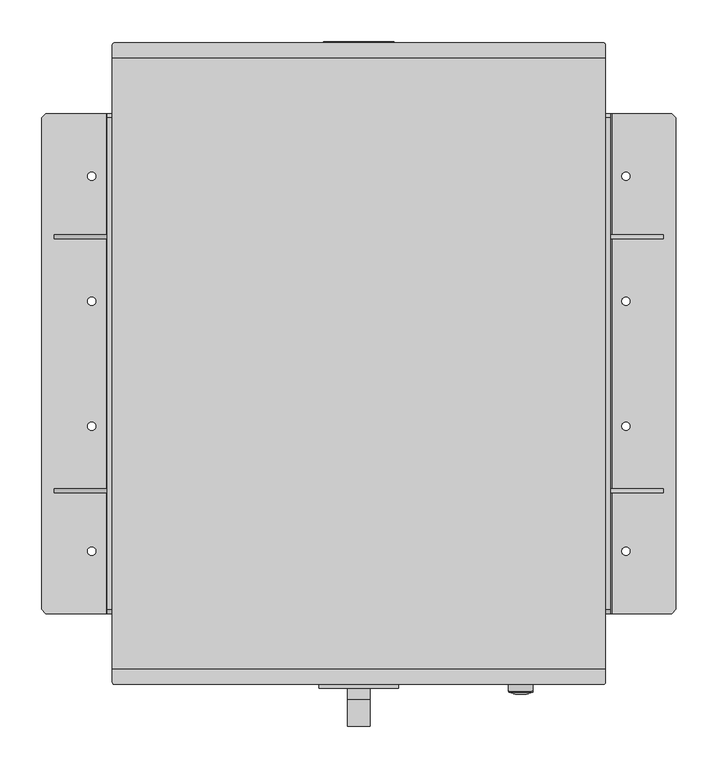
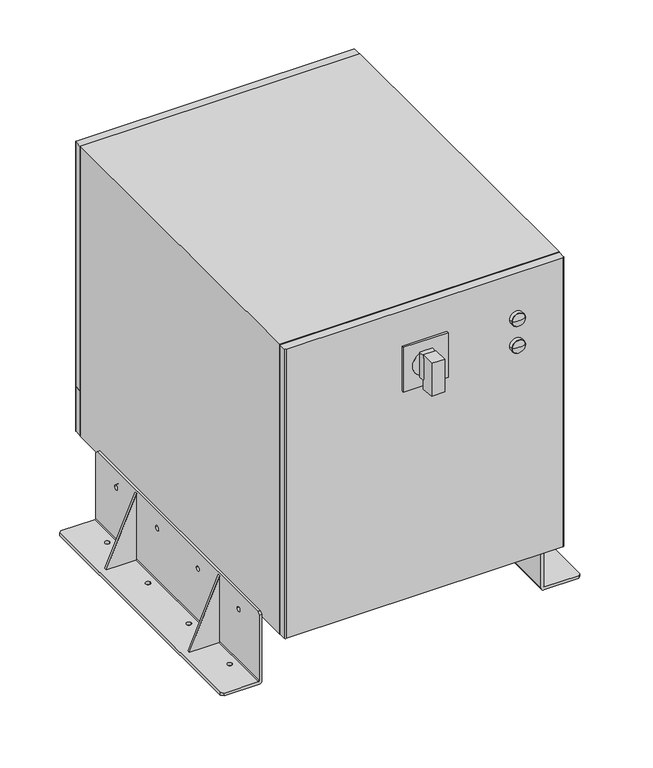
"""IFC4 building model written with IfcOpenShell, lengths in millimetres: proxy geometry."""

from ifc_helpers import new_model, si_unit, point, frame, frame_2d, origin, place, context, project, spatial, polyline, circle_curve, ellipse_curve, trimmed, segment, composite_curve, outline, extrude, source, transform, mapped, element, save
from ifc_brep_helpers import plane_surface, cylinder_surface, revolved_surface, advanced_brep


def specialty_equipment_dcbae7bf(model_context):
    return source(origin(), model_context, "Body", "SolidModel", [
        extrude(outline(composite_curve([segment(trimmed(circle_curve(frame_2d((7.6535475, -303.65681)), 1.6535475), [point((6.0, -303.65681))], [point((7.6535475, -302.0032625))], False, "CARTESIAN"), True, "CONTINUOUS"), segment(polyline([(7.6535475, -302.0032625), (155.0, -302.0032625), (6.0, -366.0032625), (6.0, -303.65681)]), True, "CONTINUOUS")], self_intersect=False)), frame((0.0, 150.0001375, 0.0), z_axis=(0.0, 1.0, 0.0), x_axis=(0.0, 0.0, 1.0)), (0.0, 0.0, 1.0), 5.0405148),
        extrude(outline(composite_curve([segment(polyline([(6.0, 303.65681), (6.0, 366.0032625), (155.0, 302.0032625), (7.6535475, 302.0032625)]), True, "CONTINUOUS"), segment(trimmed(circle_curve(frame_2d((7.6535475, 303.65681)), 1.6535475), [point((7.6535475, 302.0032625))], [point((6.0, 303.65681))], False, "CARTESIAN"), True, "CONTINUOUS")], self_intersect=False)), frame((0.0, 150.0001375, 0.0), z_axis=(0.0, 1.0, 0.0), x_axis=(0.0, 0.0, 1.0)), (0.0, 0.0, 1.0), 5.0405148),
        extrude(outline(composite_curve([segment(trimmed(circle_curve(frame_2d((7.6535475, -303.65681)), 1.6535475), [point((6.0, -303.65681))], [point((7.6535475, -302.0032625))], False, "CARTESIAN"), True, "CONTINUOUS"), segment(polyline([(7.6535475, -302.0032625), (155.0, -302.0032625), (6.0, -366.0032625), (6.0, -303.65681)]), True, "CONTINUOUS")], self_intersect=False)), frame((0.0, -155.0406523, 0.0), z_axis=(0.0, 1.0, 0.0), x_axis=(0.0, 0.0, 1.0)), (0.0, 0.0, 1.0), 5.0405148),
        extrude(outline(composite_curve([segment(polyline([(6.0, 303.65681), (6.0, 366.0032625), (155.0, 302.0032625), (7.6535475, 302.0032625)]), True, "CONTINUOUS"), segment(trimmed(circle_curve(frame_2d((7.6535475, 303.65681)), 1.6535475), [point((7.6535475, 302.0032625))], [point((6.0, 303.65681))], False, "CARTESIAN"), True, "CONTINUOUS")], self_intersect=False)), frame((0.0, -155.0406523, 0.0), z_axis=(0.0, 1.0, 0.0), x_axis=(0.0, 0.0, 1.0)), (0.0, 0.0, 1.0), 5.0405148),
        advanced_brep(
        [(-296.0032625, 299.999725, 6.0), (-302.0032625, 299.999725, 0.0), (-376.0032625, 299.999725, 0.0), (-376.0032625, 299.999725, 6.0), (-303.65681, 299.999725, 6.0), (-302.0032625, 299.999725, 7.6535475), (-302.0032625, 299.999725, 155.00055), (-296.0032625, 299.999725, 155.00055), (-302.0032625, -300.000275, 7.6535475), (-303.65681, -300.000275, 6.0), (-376.0027125, -300.000275, 6.0), (-376.0027125, -300.000275, 0.0), (-302.0032625, -300.000275, 0.0), (-296.0032625, -300.000275, 6.0), (-296.0032625, -300.000275, 155.0), (-302.0032625, -300.000275, 155.0), (-296.0032625, 295.000275, 160.0), (-296.0032625, -295.000275, 160.0), (-296.0032625, -220.0002063, 122.7832708), (-296.0032625, -230.0002063, 122.7832708), (-296.0032625, -70.0000688, 122.7832708), (-296.0032625, -80.0000688, 122.7832708), (-296.0032625, 79.9997937, 122.7832708), (-296.0032625, 69.9997937, 122.7832708), (-296.0032625, 229.9999312, 122.7832708), (-296.0032625, 219.9999312, 122.7832708), (-381.0032625, -294.999725, 0.0), (-381.0032625, 294.999725, 0.0), (-325.8300363, -75.0000688, 0.0), (-315.8300363, -75.0000688, 0.0), (-325.8300363, -225.0002063, 0.0), (-315.8300363, -225.0002063, 0.0), (-325.8300363, 224.9999312, 0.0), (-315.8300363, 224.9999312, 0.0), (-325.8300363, 74.9997937, 0.0), (-315.8300363, 74.9997937, 0.0), (-381.0032625, -294.999725, 6.0), (-381.0032625, 294.999725, 6.0), (-315.8300363, -75.0000688, 6.0), (-325.8300363, -75.0000688, 6.0), (-315.8300363, -225.0002063, 6.0), (-325.8300363, -225.0002063, 6.0), (-315.8300363, 224.9999312, 6.0), (-325.8300363, 224.9999312, 6.0), (-315.8300363, 74.9997937, 6.0), (-325.8300363, 74.9997937, 6.0), (-302.0032625, -295.000275, 160.0), (-302.0032625, 295.000275, 160.0), (-302.0032625, -230.0002063, 122.7832708), (-302.0032625, -220.0002063, 122.7832708), (-302.0032625, -80.0000688, 122.7832708), (-302.0032625, -70.0000688, 122.7832708), (-302.0032625, 69.9997937, 122.7832708), (-302.0032625, 79.9997937, 122.7832708), (-302.0032625, 219.9999312, 122.7832708), (-302.0032625, 229.9999312, 122.7832708)],
        [
            (0, 1, circle_curve(frame((-302.0032625, 299.999725, 6.0), z_axis=(0.0, 1.0, 0.0), x_axis=(1.0, 0.0, 0.0)), 6.0)),
            (1, 2),
            (2, 3),
            (3, 4),
            (4, 5, circle_curve(frame((-303.65681, 299.999725, 7.6535475), z_axis=(0.0, -1.0, 0.0), x_axis=(1.0, 0.0, 0.0)), 1.6535475)),
            (5, 6),
            (6, 7),
            (7, 0),
            (8, 9, circle_curve(frame((-303.65681, -300.000275, 7.6535475), z_axis=(0.0, 1.0, 0.0), x_axis=(1.0, 0.0, 0.0)), 1.6535475)),
            (9, 10),
            (10, 11),
            (11, 12),
            (12, 13, circle_curve(frame((-302.0032625, -300.000275, 6.0), z_axis=(0.0, -1.0, 0.0), x_axis=(1.0, 0.0, 0.0)), 6.0)),
            (13, 14),
            (14, 15),
            (15, 8),
            (13, 0),
            (7, 16),
            (16, 17),
            (17, 14),
            (18, 19, circle_curve(frame((-296.0032625, -225.0002063, 122.7832708), z_axis=(-1.0, 0.0, 0.0), x_axis=(0.0, 1.0, 0.0)), 5.0)),
            (19, 18, circle_curve(frame((-296.0032625, -225.0002063, 122.7832708), z_axis=(-1.0, 0.0, 0.0), x_axis=(0.0, 1.0, 0.0)), 5.0)),
            (20, 21, circle_curve(frame((-296.0032625, -75.0000688, 122.7832708), z_axis=(-1.0, 0.0, 0.0), x_axis=(0.0, 1.0, 0.0)), 5.0)),
            (21, 20, circle_curve(frame((-296.0032625, -75.0000688, 122.7832708), z_axis=(-1.0, 0.0, 0.0), x_axis=(0.0, 1.0, 0.0)), 5.0)),
            (22, 23, circle_curve(frame((-296.0032625, 74.9997937, 122.7832708), z_axis=(-1.0, 0.0, 0.0), x_axis=(0.0, 1.0, 0.0)), 5.0)),
            (23, 22, circle_curve(frame((-296.0032625, 74.9997937, 122.7832708), z_axis=(-1.0, 0.0, 0.0), x_axis=(0.0, 1.0, 0.0)), 5.0)),
            (24, 25, circle_curve(frame((-296.0032625, 224.9999312, 122.7832708), z_axis=(-1.0, 0.0, 0.0), x_axis=(0.0, 1.0, 0.0)), 5.0)),
            (25, 24, circle_curve(frame((-296.0032625, 224.9999312, 122.7832708), z_axis=(-1.0, 0.0, 0.0), x_axis=(0.0, 1.0, 0.0)), 5.0)),
            (12, 1),
            (11, 26),
            (26, 27),
            (27, 2),
            (28, 29, circle_curve(frame((-320.8300363, -75.0000688, 0.0), z_axis=(0.0, 0.0, 1.0), x_axis=(1.0, 0.0, 0.0)), 5.0)),
            (29, 28, circle_curve(frame((-320.8300363, -75.0000688, 0.0), z_axis=(0.0, 0.0, 1.0), x_axis=(1.0, 0.0, 0.0)), 5.0)),
            (30, 31, circle_curve(frame((-320.8300363, -225.0002063, 0.0), z_axis=(0.0, 0.0, 1.0), x_axis=(1.0, 0.0, 0.0)), 5.0)),
            (31, 30, circle_curve(frame((-320.8300363, -225.0002063, 0.0), z_axis=(0.0, 0.0, 1.0), x_axis=(1.0, 0.0, 0.0)), 5.0)),
            (32, 33, circle_curve(frame((-320.8300363, 224.9999312, 0.0), z_axis=(0.0, 0.0, 1.0), x_axis=(1.0, 0.0, 0.0)), 5.0)),
            (33, 32, circle_curve(frame((-320.8300363, 224.9999312, 0.0), z_axis=(0.0, 0.0, 1.0), x_axis=(1.0, 0.0, 0.0)), 5.0)),
            (34, 35, circle_curve(frame((-320.8300363, 74.9997937, 0.0), z_axis=(0.0, 0.0, 1.0), x_axis=(1.0, 0.0, 0.0)), 5.0)),
            (35, 34, circle_curve(frame((-320.8300363, 74.9997937, 0.0), z_axis=(0.0, 0.0, 1.0), x_axis=(1.0, 0.0, 0.0)), 5.0)),
            (26, 36),
            (36, 37),
            (37, 27),
            (9, 4),
            (3, 37),
            (36, 10),
            (38, 39, circle_curve(frame((-320.8300363, -75.0000688, 6.0), z_axis=(0.0, 0.0, -1.0), x_axis=(1.0, 0.0, 0.0)), 5.0)),
            (39, 38, circle_curve(frame((-320.8300363, -75.0000688, 6.0), z_axis=(0.0, 0.0, -1.0), x_axis=(1.0, 0.0, 0.0)), 5.0)),
            (40, 41, circle_curve(frame((-320.8300363, -225.0002063, 6.0), z_axis=(0.0, 0.0, -1.0), x_axis=(1.0, 0.0, 0.0)), 5.0)),
            (41, 40, circle_curve(frame((-320.8300363, -225.0002063, 6.0), z_axis=(0.0, 0.0, -1.0), x_axis=(1.0, 0.0, 0.0)), 5.0)),
            (42, 43, circle_curve(frame((-320.8300363, 224.9999312, 6.0), z_axis=(0.0, 0.0, -1.0), x_axis=(1.0, 0.0, 0.0)), 5.0)),
            (43, 42, circle_curve(frame((-320.8300363, 224.9999312, 6.0), z_axis=(0.0, 0.0, -1.0), x_axis=(1.0, 0.0, 0.0)), 5.0)),
            (44, 45, circle_curve(frame((-320.8300363, 74.9997937, 6.0), z_axis=(0.0, 0.0, -1.0), x_axis=(1.0, 0.0, 0.0)), 5.0)),
            (45, 44, circle_curve(frame((-320.8300363, 74.9997937, 6.0), z_axis=(0.0, 0.0, -1.0), x_axis=(1.0, 0.0, 0.0)), 5.0)),
            (8, 5),
            (15, 46),
            (46, 47),
            (47, 6),
            (48, 49, circle_curve(frame((-302.0032625, -225.0002063, 122.7832708), z_axis=(1.0, 0.0, 0.0), x_axis=(0.0, 1.0, 0.0)), 5.0)),
            (49, 48, circle_curve(frame((-302.0032625, -225.0002063, 122.7832708), z_axis=(1.0, 0.0, 0.0), x_axis=(0.0, 1.0, 0.0)), 5.0)),
            (50, 51, circle_curve(frame((-302.0032625, -75.0000688, 122.7832708), z_axis=(1.0, 0.0, 0.0), x_axis=(0.0, 1.0, 0.0)), 5.0)),
            (51, 50, circle_curve(frame((-302.0032625, -75.0000688, 122.7832708), z_axis=(1.0, 0.0, 0.0), x_axis=(0.0, 1.0, 0.0)), 5.0)),
            (52, 53, circle_curve(frame((-302.0032625, 74.9997937, 122.7832708), z_axis=(1.0, 0.0, 0.0), x_axis=(0.0, 1.0, 0.0)), 5.0)),
            (53, 52, circle_curve(frame((-302.0032625, 74.9997937, 122.7832708), z_axis=(1.0, 0.0, 0.0), x_axis=(0.0, 1.0, 0.0)), 5.0)),
            (54, 55, circle_curve(frame((-302.0032625, 224.9999312, 122.7832708), z_axis=(1.0, 0.0, 0.0), x_axis=(0.0, 1.0, 0.0)), 5.0)),
            (55, 54, circle_curve(frame((-302.0032625, 224.9999312, 122.7832708), z_axis=(1.0, 0.0, 0.0), x_axis=(0.0, 1.0, 0.0)), 5.0)),
            (16, 47),
            (46, 17),
            (28, 39),
            (38, 29),
            (30, 41),
            (40, 31),
            (32, 43),
            (42, 33),
            (34, 45),
            (44, 35),
            (48, 19),
            (18, 49),
            (50, 21),
            (20, 51),
            (52, 23),
            (22, 53),
            (54, 25),
            (24, 55),
        ],
        [
            plane_surface(frame((-296.0032625, 299.999725, 0.0), z_axis=(0.0, 1.0, 0.0), x_axis=(0.0, 0.0, -1.0))),
            plane_surface(frame((-296.0032625, -300.000275, 0.0), z_axis=(0.0, -1.0, 0.0), x_axis=(0.0, 0.0, 1.0))),
            plane_surface(frame((-296.0032625, 299.999725, 160.0), z_axis=(1.0, 0.0, 0.0), x_axis=(0.0, -1.0, 0.0))),
            cylinder_surface(frame((-302.0032625, -300.000275, 6.0), z_axis=(0.0, 1.0, 0.0), x_axis=(1.0, 0.0, 0.0)), 6.0),
            plane_surface(frame((-302.0032625, 299.999725, 0.0), z_axis=(0.0, 0.0, -1.0), x_axis=(0.0, -1.0, 0.0))),
            plane_surface(frame((-381.0032625, 299.999725, 0.0), z_axis=(-1.0, 0.0, 0.0), x_axis=(0.0, -1.0, 0.0))),
            plane_surface(frame((-381.0032625, 299.999725, 6.0), z_axis=(0.0, 0.0, 1.0), x_axis=(0.0, -1.0, 0.0))),
            revolved_surface(polyline([(-302.0032625, -300.000275, 7.6535475), (-302.0032625, 299.999725, 7.6535475)]), (-303.65681, -300.000275, 7.6535475), (0.0, -1.0, 0.0)),
            plane_surface(frame((-302.0032625, 299.999725, 7.6535475), z_axis=(-1.0, 0.0, 0.0), x_axis=(0.0, -1.0, 0.0))),
            plane_surface(frame((-302.0032625, 299.999725, 160.0), z_axis=(0.0, 0.0, 1.0), x_axis=(0.0, -1.0, 0.0))),
            plane_surface(frame((-381.0032625, 294.999725, 10.0), z_axis=(-0.7071067811865476, 0.7071067811865476, 0.0), x_axis=(0.0, 0.0, -1.0))),
            plane_surface(frame((-376.0032625, -299.999725, 10.0), z_axis=(-0.7071067811865476, -0.7071067811865476, 0.0), x_axis=(0.0, 0.0, -1.0))),
            revolved_surface(polyline([(-315.8300363, -75.0000688, 6.0), (-315.8300363, -75.0000688, 0.0)]), (-320.8300363, -75.0000688, 0.0), (0.0, 0.0, 1.0)),
            revolved_surface(polyline([(-315.8300363, -225.0002063, 6.0), (-315.8300363, -225.0002063, 0.0)]), (-320.8300363, -225.0002063, 0.0), (0.0, 0.0, 1.0)),
            revolved_surface(polyline([(-315.8300363, 224.9999312, 6.0), (-315.8300363, 224.9999312, 0.0)]), (-320.8300363, 224.9999312, 0.0), (0.0, 0.0, 1.0)),
            revolved_surface(polyline([(-315.8300363, 74.9997937, 6.0), (-315.8300363, 74.9997937, 0.0)]), (-320.8300363, 74.9997937, 0.0), (0.0, 0.0, 1.0)),
            revolved_surface(polyline([(-296.0032625, -220.0002063, 122.7832708), (-302.0032625, -220.0002063, 122.7832708)]), (-302.0032625, -225.0002063, 122.7832708), (1.0, 0.0, 0.0)),
            revolved_surface(polyline([(-296.0032625, -70.0000688, 122.7832708), (-302.0032625, -70.0000688, 122.7832708)]), (0.0, -75.0000688, 122.7832708), (1.0, 0.0, 0.0)),
            revolved_surface(polyline([(-296.0032625, 79.9997937, 122.7832708), (-302.0032625, 79.9997937, 122.7832708)]), (0.0, 74.9997937, 122.7832708), (1.0, 0.0, 0.0)),
            revolved_surface(polyline([(-296.0032625, 229.9999312, 122.7832708), (-302.0032625, 229.9999312, 122.7832708)]), (0.0, 224.9999312, 122.7832708), (1.0, 0.0, 0.0)),
            plane_surface(frame((302.0032625, -300.000275, 155.0), z_axis=(0.0, -0.7071067811865476, 0.7071067811865476), x_axis=(-1.0, 0.0, 0.0))),
            plane_surface(frame((302.0032625, 295.000275, 160.0), z_axis=(0.0, 0.7071067811865476, 0.7071067811865476), x_axis=(-1.0, 0.0, 0.0))),
        ],
        [
            (0, [[1, 2, 3, 4, 5, 6, 7, 8]]),
            (1, [[9, 10, 11, 12, 13, 14, 15, 16]]),
            (2, [[17, -8, 18, 19, 20, -14], [21, 22], [23, 24], [25, 26], [27, 28]]),
            (3, [[-1, -17, -13, 29]]),
            (4, [[-29, -12, 30, 31, 32, -2], [33, 34], [35, 36], [37, 38], [39, 40]]),
            (5, [[-31, 41, 42, 43]]),
            (6, [[44, -4, 45, -42, 46, -10], [47, 48], [49, 50], [51, 52], [53, 54]]),
            (7, [[-5, -44, -9, 55]]),
            (8, [[-55, -16, 56, 57, 58, -6], [59, 60], [61, 62], [63, 64], [65, 66]]),
            (9, [[-19, 67, -57, 68]]),
            (10, [[-3, -32, -43, -45]]),
            (11, [[-11, -46, -41, -30]]),
            (12, [[69, -47, 70, -33]]),
            (12, [[-69, -34, -70, -48]]),
            (13, [[71, -49, 72, -35]]),
            (13, [[-71, -36, -72, -50]]),
            (14, [[73, -51, 74, -37]]),
            (14, [[-73, -38, -74, -52]]),
            (15, [[75, -53, 76, -39]]),
            (15, [[-75, -40, -76, -54]]),
            (16, [[77, -21, 78, -59]]),
            (16, [[-77, -60, -78, -22]]),
            (17, [[79, -23, 80, -61]]),
            (17, [[-79, -62, -80, -24]]),
            (18, [[81, -25, 82, -63]]),
            (18, [[-81, -64, -82, -26]]),
            (19, [[83, -27, 84, -65]]),
            (19, [[-83, -66, -84, -28]]),
            (20, [[-15, -20, -68, -56]]),
            (21, [[-7, -58, -67, -18]]),
        ],
    ),
        advanced_brep(
        [(302.0032625, 299.999725, 7.6535475), (303.65681, 299.999725, 6.0), (376.0032625, 299.999725, 6.0), (376.0032625, 299.999725, 0.0), (302.0032625, 299.999725, 0.0), (296.0032625, 299.999725, 6.0), (296.0032625, 299.999725, 155.00055), (302.0032625, 299.999725, 155.00055), (296.0032625, -300.000275, 6.0), (302.0032625, -300.000275, 0.0), (376.0027125, -300.000275, 0.0), (376.0027125, -300.000275, 6.0), (303.65681, -300.000275, 6.0), (302.0032625, -300.000275, 7.6535475), (302.0032625, -300.000275, 155.0), (296.0032625, -300.000275, 155.0), (296.0032625, 295.000275, 160.0), (296.0032625, -295.000275, 160.0), (302.0032625, -295.000275, 160.0), (302.0032625, 295.000275, 160.0), (302.0032625, -220.0002063, 122.7832708), (302.0032625, -230.0002063, 122.7832708), (302.0032625, -70.0000688, 122.7832708), (302.0032625, -80.0000688, 122.7832708), (302.0032625, 79.9997937, 122.7832708), (302.0032625, 69.9997937, 122.7832708), (302.0032625, 229.9999312, 122.7832708), (302.0032625, 219.9999312, 122.7832708), (381.0032625, -294.999725, 6.0), (381.0032625, 294.999725, 6.0), (315.8300363, -75.0000688, 6.0), (325.8300363, -75.0000688, 6.0), (315.8300363, -225.0002063, 6.0), (325.8300363, -225.0002063, 6.0), (315.8300363, 224.9999312, 6.0), (325.8300363, 224.9999312, 6.0), (315.8300363, 74.9997937, 6.0), (325.8300363, 74.9997937, 6.0), (381.0032625, -294.999725, 0.0), (381.0032625, 294.999725, 0.0), (325.8300363, -75.0000688, 0.0), (315.8300363, -75.0000688, 0.0), (325.8300363, -225.0002063, 0.0), (315.8300363, -225.0002063, 0.0), (325.8300363, 224.9999312, 0.0), (315.8300363, 224.9999312, 0.0), (325.8300363, 74.9997937, 0.0), (315.8300363, 74.9997937, 0.0), (296.0032625, -230.0002063, 122.7832708), (296.0032625, -220.0002063, 122.7832708), (296.0032625, -80.0000688, 122.7832708), (296.0032625, -70.0000688, 122.7832708), (296.0032625, 69.9997937, 122.7832708), (296.0032625, 79.9997937, 122.7832708), (296.0032625, 219.9999312, 122.7832708), (296.0032625, 229.9999312, 122.7832708)],
        [
            (0, 1, circle_curve(frame((303.65681, 299.999725, 7.6535475), z_axis=(0.0, -1.0, 0.0), x_axis=(-1.0, 0.0, 0.0)), 1.6535475)),
            (1, 2),
            (2, 3),
            (3, 4),
            (4, 5, circle_curve(frame((302.0032625, 299.999725, 6.0), z_axis=(0.0, 1.0, 0.0), x_axis=(-1.0, 0.0, 0.0)), 6.0)),
            (5, 6),
            (6, 7),
            (7, 0),
            (8, 9, circle_curve(frame((302.0032625, -300.000275, 6.0), z_axis=(0.0, -1.0, 0.0), x_axis=(-1.0, 0.0, 0.0)), 6.0)),
            (9, 10),
            (10, 11),
            (11, 12),
            (12, 13, circle_curve(frame((303.65681, -300.000275, 7.6535475), z_axis=(0.0, 1.0, 0.0), x_axis=(-1.0, 0.0, 0.0)), 1.6535475)),
            (13, 14),
            (14, 15),
            (15, 8),
            (16, 17),
            (17, 18),
            (18, 19),
            (19, 16),
            (13, 0),
            (7, 19),
            (18, 14),
            (20, 21, circle_curve(frame((302.0032625, -225.0002063, 122.7832708), z_axis=(-1.0, 0.0, 0.0), x_axis=(0.0, 1.0, 0.0)), 5.0)),
            (21, 20, circle_curve(frame((302.0032625, -225.0002063, 122.7832708), z_axis=(-1.0, 0.0, 0.0), x_axis=(0.0, 1.0, 0.0)), 5.0)),
            (22, 23, circle_curve(frame((302.0032625, -75.0000688, 122.7832708), z_axis=(-1.0, 0.0, 0.0), x_axis=(0.0, 1.0, 0.0)), 5.0)),
            (23, 22, circle_curve(frame((302.0032625, -75.0000688, 122.7832708), z_axis=(-1.0, 0.0, 0.0), x_axis=(0.0, 1.0, 0.0)), 5.0)),
            (24, 25, circle_curve(frame((302.0032625, 74.9997937, 122.7832708), z_axis=(-1.0, 0.0, 0.0), x_axis=(0.0, 1.0, 0.0)), 5.0)),
            (25, 24, circle_curve(frame((302.0032625, 74.9997937, 122.7832708), z_axis=(-1.0, 0.0, 0.0), x_axis=(0.0, 1.0, 0.0)), 5.0)),
            (26, 27, circle_curve(frame((302.0032625, 224.9999312, 122.7832708), z_axis=(-1.0, 0.0, 0.0), x_axis=(0.0, 1.0, 0.0)), 5.0)),
            (27, 26, circle_curve(frame((302.0032625, 224.9999312, 122.7832708), z_axis=(-1.0, 0.0, 0.0), x_axis=(0.0, 1.0, 0.0)), 5.0)),
            (12, 1),
            (11, 28),
            (28, 29),
            (29, 2),
            (30, 31, circle_curve(frame((320.8300363, -75.0000688, 6.0), z_axis=(0.0, 0.0, -1.0), x_axis=(-1.0, 0.0, 0.0)), 5.0)),
            (31, 30, circle_curve(frame((320.8300363, -75.0000688, 6.0), z_axis=(0.0, 0.0, -1.0), x_axis=(-1.0, 0.0, 0.0)), 5.0)),
            (32, 33, circle_curve(frame((320.8300363, -225.0002063, 6.0), z_axis=(0.0, 0.0, -1.0), x_axis=(-1.0, 0.0, 0.0)), 5.0)),
            (33, 32, circle_curve(frame((320.8300363, -225.0002063, 6.0), z_axis=(0.0, 0.0, -1.0), x_axis=(-1.0, 0.0, 0.0)), 5.0)),
            (34, 35, circle_curve(frame((320.8300363, 224.9999312, 6.0), z_axis=(0.0, 0.0, -1.0), x_axis=(-1.0, 0.0, 0.0)), 5.0)),
            (35, 34, circle_curve(frame((320.8300363, 224.9999312, 6.0), z_axis=(0.0, 0.0, -1.0), x_axis=(-1.0, 0.0, 0.0)), 5.0)),
            (36, 37, circle_curve(frame((320.8300363, 74.9997937, 6.0), z_axis=(0.0, 0.0, -1.0), x_axis=(-1.0, 0.0, 0.0)), 5.0)),
            (37, 36, circle_curve(frame((320.8300363, 74.9997937, 6.0), z_axis=(0.0, 0.0, -1.0), x_axis=(-1.0, 0.0, 0.0)), 5.0)),
            (28, 38),
            (38, 39),
            (39, 29),
            (9, 4),
            (3, 39),
            (38, 10),
            (40, 41, circle_curve(frame((320.8300363, -75.0000688, 0.0), z_axis=(0.0, 0.0, 1.0), x_axis=(-1.0, 0.0, 0.0)), 5.0)),
            (41, 40, circle_curve(frame((320.8300363, -75.0000688, 0.0), z_axis=(0.0, 0.0, 1.0), x_axis=(-1.0, 0.0, 0.0)), 5.0)),
            (42, 43, circle_curve(frame((320.8300363, -225.0002063, 0.0), z_axis=(0.0, 0.0, 1.0), x_axis=(-1.0, 0.0, 0.0)), 5.0)),
            (43, 42, circle_curve(frame((320.8300363, -225.0002063, 0.0), z_axis=(0.0, 0.0, 1.0), x_axis=(-1.0, 0.0, 0.0)), 5.0)),
            (44, 45, circle_curve(frame((320.8300363, 224.9999312, 0.0), z_axis=(0.0, 0.0, 1.0), x_axis=(-1.0, 0.0, 0.0)), 5.0)),
            (45, 44, circle_curve(frame((320.8300363, 224.9999312, 0.0), z_axis=(0.0, 0.0, 1.0), x_axis=(-1.0, 0.0, 0.0)), 5.0)),
            (46, 47, circle_curve(frame((320.8300363, 74.9997937, 0.0), z_axis=(0.0, 0.0, 1.0), x_axis=(-1.0, 0.0, 0.0)), 5.0)),
            (47, 46, circle_curve(frame((320.8300363, 74.9997937, 0.0), z_axis=(0.0, 0.0, 1.0), x_axis=(-1.0, 0.0, 0.0)), 5.0)),
            (8, 5),
            (15, 17),
            (16, 6),
            (48, 49, circle_curve(frame((296.0032625, -225.0002063, 122.7832708), z_axis=(1.0, 0.0, 0.0), x_axis=(0.0, 1.0, 0.0)), 5.0)),
            (49, 48, circle_curve(frame((296.0032625, -225.0002063, 122.7832708), z_axis=(1.0, 0.0, 0.0), x_axis=(0.0, 1.0, 0.0)), 5.0)),
            (50, 51, circle_curve(frame((296.0032625, -75.0000688, 122.7832708), z_axis=(1.0, 0.0, 0.0), x_axis=(0.0, 1.0, 0.0)), 5.0)),
            (51, 50, circle_curve(frame((296.0032625, -75.0000688, 122.7832708), z_axis=(1.0, 0.0, 0.0), x_axis=(0.0, 1.0, 0.0)), 5.0)),
            (52, 53, circle_curve(frame((296.0032625, 74.9997937, 122.7832708), z_axis=(1.0, 0.0, 0.0), x_axis=(0.0, 1.0, 0.0)), 5.0)),
            (53, 52, circle_curve(frame((296.0032625, 74.9997937, 122.7832708), z_axis=(1.0, 0.0, 0.0), x_axis=(0.0, 1.0, 0.0)), 5.0)),
            (54, 55, circle_curve(frame((296.0032625, 224.9999312, 122.7832708), z_axis=(1.0, 0.0, 0.0), x_axis=(0.0, 1.0, 0.0)), 5.0)),
            (55, 54, circle_curve(frame((296.0032625, 224.9999312, 122.7832708), z_axis=(1.0, 0.0, 0.0), x_axis=(0.0, 1.0, 0.0)), 5.0)),
            (40, 31),
            (30, 41),
            (42, 33),
            (32, 43),
            (44, 35),
            (34, 45),
            (46, 37),
            (36, 47),
            (48, 21),
            (20, 49),
            (50, 23),
            (22, 51),
            (52, 25),
            (24, 53),
            (54, 27),
            (26, 55),
        ],
        [
            plane_surface(frame((-296.0032625, 299.999725, 0.0), z_axis=(0.0, 1.0, 0.0), x_axis=(0.0, 0.0, -1.0))),
            plane_surface(frame((-296.0032625, -300.000275, 0.0), z_axis=(0.0, -1.0, 0.0), x_axis=(0.0, 0.0, 1.0))),
            plane_surface(frame((296.0032625, 299.999725, 160.0), z_axis=(0.0, 0.0, 1.0), x_axis=(0.0, -1.0, 0.0))),
            plane_surface(frame((302.0032625, 299.999725, 160.0), z_axis=(1.0, 0.0, 0.0), x_axis=(0.0, -1.0, 0.0))),
            revolved_surface(polyline([(302.0032625, -300.000275, 7.6535475), (302.0032625, 299.999725, 7.6535475)]), (303.65681, -385.000275, 7.6535475), (0.0, -1.0, 0.0)),
            plane_surface(frame((303.65681, 299.999725, 6.0), z_axis=(0.0, 0.0, 1.0), x_axis=(0.0, -1.0, 0.0))),
            plane_surface(frame((381.0032625, 299.999725, 6.0), z_axis=(1.0, 0.0, 0.0), x_axis=(0.0, -1.0, 0.0))),
            plane_surface(frame((381.0032625, 299.999725, 0.0), z_axis=(0.0, 0.0, -1.0), x_axis=(0.0, -1.0, 0.0))),
            cylinder_surface(frame((302.0032625, -385.000275, 6.0), z_axis=(0.0, 1.0, 0.0), x_axis=(-1.0, 0.0, 0.0)), 6.0),
            plane_surface(frame((296.0032625, 299.999725, 6.0), z_axis=(-1.0, 0.0, 0.0), x_axis=(0.0, -1.0, 0.0))),
            plane_surface(frame((376.0032625, 299.999725, 10.0), z_axis=(0.7071067811865476, 0.7071067811865476, 0.0), x_axis=(0.0, 0.0, -1.0))),
            plane_surface(frame((381.0032625, -294.999725, 10.0), z_axis=(0.7071067811865476, -0.7071067811865476, 0.0), x_axis=(0.0, 0.0, -1.0))),
            revolved_surface(polyline([(315.8300363, -75.0000688, 6.0), (315.8300363, -75.0000688, 0.0)]), (320.8300363, -75.0000688, 0.0), (0.0, 0.0, 1.0)),
            revolved_surface(polyline([(315.8300363, -225.0002063, 6.0), (315.8300363, -225.0002063, 0.0)]), (320.8300363, -225.0002063, 0.0), (0.0, 0.0, 1.0)),
            revolved_surface(polyline([(315.8300363, 224.9999312, 6.0), (315.8300363, 224.9999312, 0.0)]), (320.8300363, 224.9999312, 0.0), (0.0, 0.0, 1.0)),
            revolved_surface(polyline([(315.8300363, 74.9997937, 6.0), (315.8300363, 74.9997937, 0.0)]), (320.8300363, 74.9997937, 0.0), (0.0, 0.0, 1.0)),
            revolved_surface(polyline([(302.0032625, -220.0002063, 122.7832708), (296.0032625, -220.0002063, 122.7832708)]), (-302.0032625, -225.0002063, 122.7832708), (1.0, 0.0, 0.0)),
            revolved_surface(polyline([(302.0032625, -70.0000688, 122.7832708), (296.0032625, -70.0000688, 122.7832708)]), (0.0, -75.0000688, 122.7832708), (1.0, 0.0, 0.0)),
            revolved_surface(polyline([(302.0032625, 79.9997937, 122.7832708), (296.0032625, 79.9997937, 122.7832708)]), (0.0, 74.9997937, 122.7832708), (1.0, 0.0, 0.0)),
            revolved_surface(polyline([(302.0032625, 229.9999312, 122.7832708), (296.0032625, 229.9999312, 122.7832708)]), (0.0, 224.9999312, 122.7832708), (1.0, 0.0, 0.0)),
            plane_surface(frame((302.0032625, -300.000275, 155.0), z_axis=(0.0, -0.7071067811865476, 0.7071067811865476), x_axis=(-1.0, 0.0, 0.0))),
            plane_surface(frame((302.0032625, 295.000275, 160.0), z_axis=(0.0, 0.7071067811865476, 0.7071067811865476), x_axis=(-1.0, 0.0, 0.0))),
        ],
        [
            (0, [[1, 2, 3, 4, 5, 6, 7, 8]]),
            (1, [[9, 10, 11, 12, 13, 14, 15, 16]]),
            (2, [[17, 18, 19, 20]]),
            (3, [[21, -8, 22, -19, 23, -14], [24, 25], [26, 27], [28, 29], [30, 31]]),
            (4, [[-1, -21, -13, 32]]),
            (5, [[-32, -12, 33, 34, 35, -2], [36, 37], [38, 39], [40, 41], [42, 43]]),
            (6, [[-34, 44, 45, 46]]),
            (7, [[47, -4, 48, -45, 49, -10], [50, 51], [52, 53], [54, 55], [56, 57]]),
            (8, [[-5, -47, -9, 58]]),
            (9, [[-58, -16, 59, -17, 60, -6], [61, 62], [63, 64], [65, 66], [67, 68]]),
            (10, [[-3, -35, -46, -48]]),
            (11, [[-11, -49, -44, -33]]),
            (12, [[69, -36, 70, -50]]),
            (12, [[-69, -51, -70, -37]]),
            (13, [[71, -38, 72, -52]]),
            (13, [[-71, -53, -72, -39]]),
            (14, [[73, -40, 74, -54]]),
            (14, [[-73, -55, -74, -41]]),
            (15, [[75, -42, 76, -56]]),
            (15, [[-75, -57, -76, -43]]),
            (16, [[77, -24, 78, -61]]),
            (16, [[-77, -62, -78, -25]]),
            (17, [[79, -26, 80, -63]]),
            (17, [[-79, -64, -80, -27]]),
            (18, [[81, -28, 82, -65]]),
            (18, [[-81, -66, -82, -29]]),
            (19, [[83, -30, 84, -67]]),
            (19, [[-83, -68, -84, -31]]),
            (20, [[-15, -23, -18, -59]]),
            (21, [[-7, -60, -20, -22]]),
        ],
    ),
        extrude(outline(polyline([(42.4962458, 386.4703028), (42.4962458, 385.000275), (-42.4962458, 385.000275), (-42.4962458, 386.4703028), (42.4962458, 386.4703028)])), frame((0.0, 0.0, 178.5136417), z_axis=(0.0, 0.0, 1.0), x_axis=(1.0, 0.0, 0.0)), (0.0, 0.0, 1.0), 44.996025),
        extrude(outline(composite_curve([segment(trimmed(circle_curve(frame_2d((670.2349083, -0.1470028)), 27.4895194), [point((670.2349083, 27.3425167))], [point((670.2349083, -27.6365222))], False, "CARTESIAN"), True, "CONTINUOUS"), segment(trimmed(circle_curve(frame_2d((670.2349083, -0.1470028)), 27.4895194), [point((670.2349083, -27.6365222))], [point((670.2349083, 27.3425167))], False, "CARTESIAN"), True, "CONTINUOUS")], self_intersect=False)), frame((0.0, -389.4103583, 0.0), z_axis=(0.0, 1.0, 0.0), x_axis=(0.0, 0.0, 1.0)), (0.0, 0.0, 1.0), 4.4100833),
        extrude(outline(composite_curve([segment(polyline([(296.0032625, 366.477925), (-296.0032625, 366.477925), (-296.0032625, 382.6482306)]), True, "CONTINUOUS"), segment(trimmed(circle_curve(frame_2d((-293.6512181, 382.6482306)), 2.3520444), [point((-296.0032625, 382.6482306))], [point((-293.6512181, 385.000275))], False, "CARTESIAN"), True, "CONTINUOUS"), segment(polyline([(-293.6512181, 385.000275), (293.6512181, 385.000275)]), True, "CONTINUOUS"), segment(trimmed(circle_curve(frame_2d((293.6512181, 382.6482306)), 2.3520444), [point((293.6512181, 385.000275))], [point((296.0032625, 382.6482306))], False, "CARTESIAN"), True, "CONTINUOUS"), segment(polyline([(296.0032625, 382.6482306), (296.0032625, 366.477925)]), True, "CONTINUOUS")], self_intersect=False)), frame((0.0, 0.0, 252.0365583), z_axis=(0.0, 0.0, 1.0), x_axis=(1.0, 0.0, 0.0)), (0.0, 0.0, 1.0), 547.3045917),
        extrude(outline(composite_curve([segment(polyline([(296.0032625, 366.477925), (-296.0032625, 366.477925), (-296.0032625, 382.6482306)]), True, "CONTINUOUS"), segment(trimmed(circle_curve(frame_2d((-293.6512181, 382.6482306)), 2.3520444), [point((-296.0032625, 382.6482306))], [point((-293.6512181, 385.000275))], False, "CARTESIAN"), True, "CONTINUOUS"), segment(polyline([(-293.6512181, 385.000275), (293.6512181, 385.000275)]), True, "CONTINUOUS"), segment(trimmed(circle_curve(frame_2d((293.6512181, 382.6482306)), 2.3520444), [point((293.6512181, 385.000275))], [point((296.0032625, 382.6482306))], False, "CARTESIAN"), True, "CONTINUOUS"), segment(polyline([(296.0032625, 382.6482306), (296.0032625, 366.477925)]), True, "CONTINUOUS")], self_intersect=False)), frame((0.0, 0.0, 151.1631167), z_axis=(0.0, 0.0, 1.0), x_axis=(1.0, 0.0, 0.0)), (0.0, 0.0, 1.0), 99.9911667),
        extrude(outline(polyline([(296.0032625, 366.477925), (296.0032625, -366.477925), (-296.0032625, -366.477925), (-296.0032625, 366.477925), (296.0032625, 366.477925)])), frame((0.0, 0.0, 149.98675), z_axis=(0.0, 0.0, 1.0), x_axis=(1.0, 0.0, 0.0)), (0.0, 0.0, 1.0), 650.5307667),
        extrude(outline(composite_curve([segment(polyline([(296.0032625, 366.477925), (-296.0032625, 366.477925), (-296.0032625, 382.6482306)]), True, "CONTINUOUS"), segment(trimmed(circle_curve(frame_2d((-293.6512181, 382.6482306)), 2.3520444), [point((-296.0032625, 382.6482306))], [point((-293.6512181, 385.000275))], False, "CARTESIAN"), True, "CONTINUOUS"), segment(polyline([(-293.6512181, 385.000275), (293.6512181, 385.000275)]), True, "CONTINUOUS"), segment(trimmed(circle_curve(frame_2d((293.6512181, 382.6482306)), 2.3520444), [point((293.6512181, 385.000275))], [point((296.0032625, 382.6482306))], False, "CARTESIAN"), True, "CONTINUOUS"), segment(polyline([(296.0032625, 382.6482306), (296.0032625, 366.477925)]), True, "CONTINUOUS")], self_intersect=False)), frame((0.0, 0.0, 151.1631167), z_axis=(0.0, 0.0, 1.0), x_axis=(1.0, 0.0, 0.0)), (0.0, 0.0, 1.0), 99.9911667),
        extrude(outline(polyline([(720.2304917, 47.4958042), (720.2304917, -47.4958042), (620.239325, -47.4958042), (620.239325, 47.4958042), (720.2304917, 47.4958042)]), holes=[composite_curve([segment(trimmed(circle_curve(frame_2d((670.2349083, -0.1470028)), 27.4895194), [point((670.2349083, 27.3425167))], [point((670.2349083, -27.6365222))], True, "CARTESIAN"), True, "CONTINUOUS"), segment(trimmed(circle_curve(frame_2d((670.2349083, -0.1470028)), 27.4895194), [point((670.2349083, -27.6365222))], [point((670.2349083, 27.3425167))], True, "CARTESIAN"), True, "CONTINUOUS")], self_intersect=False)]), frame((0.0, -389.4103583, 0.0), z_axis=(0.0, 1.0, 0.0), x_axis=(0.0, 0.0, 1.0)), (0.0, 0.0, 1.0), 4.4100833),
        extrude(outline(composite_curve([segment(polyline([(296.0032625, -366.477925), (296.0032625, -382.6482306)]), True, "CONTINUOUS"), segment(trimmed(circle_curve(frame_2d((293.6512181, -382.6482306)), 2.3520444), [point((296.0032625, -382.6482306))], [point((293.6512181, -385.000275))], False, "CARTESIAN"), True, "CONTINUOUS"), segment(polyline([(293.6512181, -385.000275), (-293.6512181, -385.000275)]), True, "CONTINUOUS"), segment(trimmed(circle_curve(frame_2d((-293.6512181, -382.6482306)), 2.3520444), [point((-293.6512181, -385.000275))], [point((-296.0032625, -382.6482306))], False, "CARTESIAN"), True, "CONTINUOUS"), segment(polyline([(-296.0032625, -382.6482306), (-296.0032625, -366.477925), (296.0032625, -366.477925)]), True, "CONTINUOUS")], self_intersect=False)), frame((0.0, 0.0, 151.1631167), z_axis=(0.0, 0.0, 1.0), x_axis=(1.0, 0.0, 0.0)), (0.0, 0.0, 1.0), 648.1780333),
        extrude(outline(polyline([(-403.522625, 694.350425), (-403.522625, 697.879525), (-389.4103583, 697.879525), (-389.4103583, 642.8843833), (-403.522625, 642.8843833), (-403.522625, 646.4134833), (-405.5806639, 646.4134833), (-405.5806639, 694.350425), (-403.522625, 694.350425)])), frame((-13.5242556, 0.0, 0.0), z_axis=(1.0, 0.0, 0.0), x_axis=(0.0, 1.0, 0.0)), (0.0, 0.0, 1.0), 27.0485111),
        extrude(outline(polyline([(-403.522625, 700.2322583), (-403.522625, 694.350425), (-405.5806639, 694.350425), (-405.5806639, 646.4134833), (-403.522625, 646.4134833), (-403.522625, 623.4743333), (-435.275225, 627.0034333), (-435.275225, 700.2322583), (-403.522625, 700.2322583)])), frame((-13.5242556, 0.0, 0.0), z_axis=(1.0, 0.0, 0.0), x_axis=(0.0, 1.0, 0.0)), (0.0, 0.0, 1.0), 27.0485111),
        extrude(outline(polyline([(721.4068583, 48.5109167), (721.4068583, -48.5109167), (619.35705, -48.5109167), (619.35705, 48.5109167), (721.4068583, 48.5109167)]), holes=[polyline([(620.239325, -47.6289), (720.2304917, -47.6289), (720.2304917, 47.3348944), (620.239325, 47.3348944), (620.239325, -47.6289)])]), frame((0.0, -385.000275, 0.0), z_axis=(0.0, 1.0, 0.0), x_axis=(0.0, 0.0, 1.0)), (0.0, 0.0, 1.0), 2.1789266),
        advanced_brep(
        [(209.2462208, -393.5264361, 640.2375583), (179.8370542, -393.5264361, 640.2375583), (179.8370542, -385.000275, 640.2375583), (209.2462208, -385.000275, 640.2375583), (208.8084107, -394.1755163, 640.2375583), (180.2748643, -394.1755163, 640.2375583), (194.5416375, -397.0651197, 640.2375583), (194.5416375, -385.000275, 640.2375583)],
        [
            (0, 1, circle_curve(frame((194.5416375, -393.5264361, 640.2375583), z_axis=(0.0, 1.0, 0.0), x_axis=(-1.0, 0.0, 0.0)), 14.7045833)),
            (1, 2),
            (2, 3, circle_curve(frame((194.5416375, -385.000275, 640.2375583), z_axis=(0.0, -1.0, 0.0), x_axis=(-1.0, 0.0, 0.0)), 14.7045833)),
            (3, 0),
            (1, 0, circle_curve(frame((194.5416375, -393.5264361, 640.2375583), z_axis=(0.0, 1.0, 0.0), x_axis=(-1.0, 0.0, 0.0)), 14.7045833)),
            (3, 2, circle_curve(frame((194.5416375, -385.000275, 640.2375583), z_axis=(0.0, -1.0, 0.0), x_axis=(-1.0, 0.0, 0.0)), 14.7045833)),
            (4, 5, circle_curve(frame((194.5416375, -394.1755163, 640.2375583), z_axis=(0.0, 1.0, 0.0), x_axis=(-1.0, 0.0, 0.0)), 14.2667732)),
            (5, 1),
            (0, 4),
            (5, 4, circle_curve(frame((194.5416375, -394.1755163, 640.2375583), z_axis=(0.0, 1.0, 0.0), x_axis=(-1.0, 0.0, 0.0)), 14.2667732)),
            (6, 5, circle_curve(frame((194.5416375, -360.4008098, 640.2375583), z_axis=(0.0, 0.0, -1.0), x_axis=(1.0, 0.0, 0.0)), 36.6643099)),
            (4, 6, circle_curve(frame((194.5416375, -360.4008098, 640.2375583), z_axis=(0.0, 0.0, -1.0), x_axis=(-1.0, 0.0, 0.0)), 36.6643099)),
            (2, 7),
            (7, 3),
        ],
        [
            cylinder_surface(frame((194.5416375, -380.000275, 640.2375583), z_axis=(0.0, -1.0, 0.0), x_axis=(-1.0, 0.0, 0.0)), 14.7045833),
            revolved_surface(polyline([(179.8370542, -393.5264361, 640.2375583), (180.2748643, -394.1755163, 640.2375583)]), (194.5416375, -380.000275, 640.2375583), (0.0, -1.0, 0.0)),
            revolved_surface(trimmed(ellipse_curve(frame((194.5416375, -360.4008098, 640.2375583), z_axis=(0.0, 0.0, 1.0), x_axis=(1.0, 0.0, 0.0)), 36.6643099, 36.6643099), [point((180.2748643, -394.1755163, 640.2375583))], [point((194.5416375, -397.0651197, 640.2375583))], True, "CARTESIAN"), (194.5416375, -380.000275, 640.2375583), (0.0, -1.0, 0.0)),
            plane_surface(frame((194.5416375, -385.000275, 640.2375583), z_axis=(0.0, 1.0, 0.0), x_axis=(-1.0, 0.0, 0.0))),
        ],
        [
            (0, [[1, 2, 3, 4]]),
            (0, [[5, -4, 6, -2]]),
            (1, [[7, 8, -1, 9]]),
            (1, [[10, -9, -5, -8]]),
            (2, [[11, -7, 12]]),
            (2, [[-12, -10, -11]]),
            (3, [[-3, 13, 14]]),
            (3, [[-6, -14, -13]]),
        ],
    ),
        advanced_brep(
        [(209.2462208, -393.5264361, 700.2322583), (179.8370542, -393.5264361, 700.2322583), (179.8370542, -385.000275, 700.2322583), (209.2462208, -385.000275, 700.2322583), (208.8084107, -394.1755163, 700.2322583), (180.2748643, -394.1755163, 700.2322583), (194.5416375, -397.0651197, 700.2322583), (194.5416375, -385.000275, 700.2322583)],
        [
            (0, 1, circle_curve(frame((194.5416375, -393.5264361, 700.2322583), z_axis=(0.0, 1.0, 0.0), x_axis=(-1.0, 0.0, 0.0)), 14.7045833)),
            (1, 2),
            (2, 3, circle_curve(frame((194.5416375, -385.000275, 700.2322583), z_axis=(0.0, -1.0, 0.0), x_axis=(-1.0, 0.0, 0.0)), 14.7045833)),
            (3, 0),
            (1, 0, circle_curve(frame((194.5416375, -393.5264361, 700.2322583), z_axis=(0.0, 1.0, 0.0), x_axis=(-1.0, 0.0, 0.0)), 14.7045833)),
            (3, 2, circle_curve(frame((194.5416375, -385.000275, 700.2322583), z_axis=(0.0, -1.0, 0.0), x_axis=(-1.0, 0.0, 0.0)), 14.7045833)),
            (4, 5, circle_curve(frame((194.5416375, -394.1755163, 700.2322583), z_axis=(0.0, 1.0, 0.0), x_axis=(-1.0, 0.0, 0.0)), 14.2667732)),
            (5, 1),
            (0, 4),
            (5, 4, circle_curve(frame((194.5416375, -394.1755163, 700.2322583), z_axis=(0.0, 1.0, 0.0), x_axis=(-1.0, 0.0, 0.0)), 14.2667732)),
            (6, 5, circle_curve(frame((194.5416375, -360.4008098, 700.2322583), z_axis=(0.0, 0.0, -1.0), x_axis=(1.0, 0.0, 0.0)), 36.6643099)),
            (4, 6, circle_curve(frame((194.5416375, -360.4008098, 700.2322583), z_axis=(0.0, 0.0, -1.0), x_axis=(-1.0, 0.0, 0.0)), 36.6643099)),
            (2, 7),
            (7, 3),
        ],
        [
            cylinder_surface(frame((194.5416375, -380.000275, 700.2322583), z_axis=(0.0, -1.0, 0.0), x_axis=(-1.0, 0.0, 0.0)), 14.7045833),
            revolved_surface(polyline([(179.8370542, -393.5264361, 700.2322583), (180.2748643, -394.1755163, 700.2322583)]), (194.5416375, -380.000275, 700.2322583), (0.0, -1.0, 0.0)),
            revolved_surface(trimmed(ellipse_curve(frame((194.5416375, -360.4008098, 700.2322583), z_axis=(0.0, 0.0, 1.0), x_axis=(1.0, 0.0, 0.0)), 36.6643099, 36.6643099), [point((180.2748643, -394.1755163, 700.2322583))], [point((194.5416375, -397.0651197, 700.2322583))], True, "CARTESIAN"), (194.5416375, -380.000275, 700.2322583), (0.0, -1.0, 0.0)),
            plane_surface(frame((194.5416375, -385.000275, 700.2322583), z_axis=(0.0, 1.0, 0.0), x_axis=(-1.0, 0.0, 0.0))),
        ],
        [
            (0, [[1, 2, 3, 4]]),
            (0, [[5, -4, 6, -2]]),
            (1, [[7, 8, -1, 9]]),
            (1, [[10, -9, -5, -8]]),
            (2, [[11, -7, 12]]),
            (2, [[-12, -10, -11]]),
            (3, [[-3, 13, 14]]),
            (3, [[-6, -14, -13]]),
        ],
    ),
        advanced_brep(
        [(-153.4709, 264.7060741, 38.525975), (-153.4709, 284.833185, 89.99205), (-153.4709, 223.9450259, 89.99205), (-153.4709, 244.0721367, 38.525975), (-153.4709, 248.5494562, 60.8478792), (-153.4709, 260.2287546, 60.8478792), (-153.4709, 266.0684038, 50.7333101), (-153.4709, 260.2287546, 40.618741), (-153.4709, 248.5494562, 40.618741), (-153.4709, 242.709807, 50.7333101), (-159.3510111, 264.6963629, 38.5301868), (-159.3510111, 244.0818479, 38.5301868), (-159.3510111, 223.9450259, 89.99205), (-159.3510111, 284.833185, 89.99205), (-159.3510111, 248.5494562, 60.8478792), (-159.3510111, 242.709807, 50.7333101), (-159.3510111, 248.5494562, 40.618741), (-159.3510111, 260.2287546, 40.618741), (-159.3510111, 266.0684038, 50.7333101), (-159.3510111, 260.2287546, 60.8478792)],
        [
            (0, 1),
            (1, 2),
            (2, 3),
            (3, 0, circle_curve(frame((-153.4709, 254.3891054, 43.0005277), z_axis=(1.0, 0.0, 0.0), x_axis=(0.0, -1.0, 0.0)), 11.2349234)),
            (4, 5),
            (5, 6),
            (6, 7),
            (7, 8),
            (8, 9),
            (9, 4),
            (10, 11, circle_curve(frame((-159.3510111, 254.3891054, 43.0005277), z_axis=(-1.0, 0.0, 0.0), x_axis=(0.0, -1.0, 0.0)), 11.2349234)),
            (11, 12),
            (12, 13),
            (13, 10),
            (14, 15),
            (15, 16),
            (16, 17),
            (17, 18),
            (18, 19),
            (19, 14),
            (0, 10),
            (13, 1),
            (12, 2),
            (11, 3),
            (4, 14),
            (19, 5),
            (18, 6),
            (17, 7),
            (16, 8),
            (15, 9),
        ],
        [
            plane_surface(frame((-153.4709, 284.833185, 89.99205), z_axis=(1.0, 0.0, 0.0), x_axis=(0.0, 0.36421435293673643, 0.9313151481184414))),
            plane_surface(frame((-159.3510111, 284.833185, 89.99205), z_axis=(-1.0, 0.0, 0.0), x_axis=(0.0, -0.36421435293673643, -0.9313151481184414))),
            plane_surface(frame((-153.4709, 264.7060741, 38.525975), z_axis=(0.0, 0.9313151481184414, -0.36421435293673643), x_axis=(-1.0, 0.0, 0.0))),
            plane_surface(frame((-153.4709, 284.833185, 89.99205), z_axis=(0.0, 0.0, 1.0), x_axis=(-1.0, 0.0, 0.0))),
            plane_surface(frame((-153.4709, 223.9450259, 89.99205), z_axis=(0.0, -0.9313151481185085, -0.36421435293656496), x_axis=(-1.0, 0.0, 0.0))),
            cylinder_surface(frame((-159.3510111, 254.3891054, 43.0005277), z_axis=(1.0, 0.0, 0.0), x_axis=(0.0, -1.0, 0.0)), 11.2349234),
            plane_surface(frame((-153.4709, 248.5494562, 60.8478792), z_axis=(0.0, 0.0, -1.0), x_axis=(-1.0, 0.0, 0.0))),
            plane_surface(frame((-153.4709, 260.2287546, 60.8478792), z_axis=(0.0, -0.8660254037843047, -0.5000000000002323), x_axis=(-1.0, 0.0, 0.0))),
            plane_surface(frame((-153.4709, 266.0684038, 50.7333101), z_axis=(0.0, -0.8660254037842656, 0.5000000000002996), x_axis=(-1.0, 0.0, 0.0))),
            plane_surface(frame((-153.4709, 260.2287546, 40.618741), z_axis=(0.0, 0.0, 1.0), x_axis=(-1.0, 0.0, 0.0))),
            plane_surface(frame((-153.4709, 248.5494562, 40.618741), z_axis=(0.0, 0.8660254037842644, 0.5000000000003018), x_axis=(-1.0, 0.0, 0.0))),
            plane_surface(frame((-153.4709, 242.709807, 50.7333101), z_axis=(0.0, 0.8660254037843034, -0.5000000000002345), x_axis=(-1.0, 0.0, 0.0))),
        ],
        [
            (0, [[1, 2, 3, 4], [5, 6, 7, 8, 9, 10]]),
            (1, [[11, 12, 13, 14], [15, 16, 17, 18, 19, 20]]),
            (2, [[-1, 21, -14, 22]]),
            (3, [[-2, -22, -13, 23]]),
            (4, [[-3, -23, -12, 24]]),
            (5, [[-4, -24, -11, -21]]),
            (6, [[-5, 25, -20, 26]]),
            (7, [[-6, -26, -19, 27]]),
            (8, [[-7, -27, -18, 28]]),
            (9, [[-8, -28, -17, 29]]),
            (10, [[-9, -29, -16, 30]]),
            (11, [[-10, -30, -15, -25]]),
        ],
    ),
        advanced_brep(
        [(-220.5041667, 264.7060741, 38.525975), (-220.5041667, 284.833185, 89.99205), (-220.5041667, 223.9450259, 89.99205), (-220.5041667, 244.0721367, 38.525975), (-220.5041667, 248.5494562, 60.8478792), (-220.5041667, 260.2287546, 60.8478792), (-220.5041667, 266.0684038, 50.7333101), (-220.5041667, 260.2287546, 40.618741), (-220.5041667, 248.5494562, 40.618741), (-220.5041667, 242.709807, 50.7333101), (-226.3842778, 264.6963629, 38.5301868), (-226.3842778, 244.0818479, 38.5301868), (-226.3842778, 223.9450259, 89.99205), (-226.3842778, 284.833185, 89.99205), (-226.3842778, 248.5494562, 60.8478792), (-226.3842778, 242.709807, 50.7333101), (-226.3842778, 248.5494562, 40.618741), (-226.3842778, 260.2287546, 40.618741), (-226.3842778, 266.0684038, 50.7333101), (-226.3842778, 260.2287546, 60.8478792)],
        [
            (0, 1),
            (1, 2),
            (2, 3),
            (3, 0, circle_curve(frame((-220.5041667, 254.3891054, 43.0005277), z_axis=(1.0, 0.0, 0.0), x_axis=(0.0, -1.0, 0.0)), 11.2349234)),
            (4, 5),
            (5, 6),
            (6, 7),
            (7, 8),
            (8, 9),
            (9, 4),
            (10, 11, circle_curve(frame((-226.3842778, 254.3891054, 43.0005277), z_axis=(-1.0, 0.0, 0.0), x_axis=(0.0, -1.0, 0.0)), 11.2349234)),
            (11, 12),
            (12, 13),
            (13, 10),
            (14, 15),
            (15, 16),
            (16, 17),
            (17, 18),
            (18, 19),
            (19, 14),
            (0, 10),
            (13, 1),
            (12, 2),
            (11, 3),
            (4, 14),
            (19, 5),
            (18, 6),
            (17, 7),
            (16, 8),
            (15, 9),
        ],
        [
            plane_surface(frame((-220.5041667, 284.833185, 89.99205), z_axis=(1.0, 0.0, 0.0), x_axis=(0.0, 0.36421435293673643, 0.9313151481184414))),
            plane_surface(frame((-226.3842778, 284.833185, 89.99205), z_axis=(-1.0, 0.0, 0.0), x_axis=(0.0, -0.36421435293673643, -0.9313151481184414))),
            plane_surface(frame((-220.5041667, 264.7060741, 38.525975), z_axis=(0.0, 0.9313151481184414, -0.36421435293673643), x_axis=(-1.0, 0.0, 0.0))),
            plane_surface(frame((-220.5041667, 284.833185, 89.99205), z_axis=(0.0, 0.0, 1.0), x_axis=(-1.0, 0.0, 0.0))),
            plane_surface(frame((-220.5041667, 223.9450259, 89.99205), z_axis=(0.0, -0.9313151481185085, -0.36421435293656496), x_axis=(-1.0, 0.0, 0.0))),
            cylinder_surface(frame((-226.3842778, 254.3891054, 43.0005277), z_axis=(1.0, 0.0, 0.0), x_axis=(0.0, -1.0, 0.0)), 11.2349234),
            plane_surface(frame((-220.5041667, 248.5494562, 60.8478792), z_axis=(0.0, 0.0, -1.0), x_axis=(-1.0, 0.0, 0.0))),
            plane_surface(frame((-220.5041667, 260.2287546, 60.8478792), z_axis=(0.0, -0.8660254037843047, -0.5000000000002323), x_axis=(-1.0, 0.0, 0.0))),
            plane_surface(frame((-220.5041667, 266.0684038, 50.7333101), z_axis=(0.0, -0.8660254037842656, 0.5000000000002996), x_axis=(-1.0, 0.0, 0.0))),
            plane_surface(frame((-220.5041667, 260.2287546, 40.618741), z_axis=(0.0, 0.0, 1.0), x_axis=(-1.0, 0.0, 0.0))),
            plane_surface(frame((-220.5041667, 248.5494562, 40.618741), z_axis=(0.0, 0.8660254037842644, 0.5000000000003018), x_axis=(-1.0, 0.0, 0.0))),
            plane_surface(frame((-220.5041667, 242.709807, 50.7333101), z_axis=(0.0, 0.8660254037843034, -0.5000000000002345), x_axis=(-1.0, 0.0, 0.0))),
        ],
        [
            (0, [[1, 2, 3, 4], [5, 6, 7, 8, 9, 10]]),
            (1, [[11, 12, 13, 14], [15, 16, 17, 18, 19, 20]]),
            (2, [[-1, 21, -14, 22]]),
            (3, [[-2, -22, -13, 23]]),
            (4, [[-3, -23, -12, 24]]),
            (5, [[-4, -24, -11, -21]]),
            (6, [[-5, 25, -20, 26]]),
            (7, [[-6, -26, -19, 27]]),
            (8, [[-7, -27, -18, 28]]),
            (9, [[-8, -28, -17, 29]]),
            (10, [[-9, -29, -16, 30]]),
            (11, [[-10, -30, -15, -25]]),
        ],
    ),
        extrude(outline(composite_curve([segment(trimmed(circle_curve(frame_2d((254.3891054, 50.7333101)), 20.2039105), [point((274.593016, 50.7333101))], [point((234.1851949, 50.7333101))], False, "CARTESIAN"), True, "CONTINUOUS"), segment(trimmed(circle_curve(frame_2d((254.3891054, 50.7333101)), 20.2039105), [point((234.1851949, 50.7333101))], [point((274.593016, 50.7333101))], False, "CARTESIAN"), True, "CONTINUOUS")], self_intersect=False)), frame((-220.5041667, 0.0, 0.0), z_axis=(1.0, 0.0, 0.0), x_axis=(0.0, 1.0, 0.0)), (0.0, 0.0, 1.0), 61.1531556),
        extrude(outline(polyline([(242.709807, 50.7333101), (248.5494562, 60.8478792), (260.2287546, 60.8478792), (266.0684038, 50.7333101), (260.2287546, 40.618741), (248.5494562, 40.618741), (242.709807, 50.7333101)])), frame((-233.4404111, 0.0, 0.0), z_axis=(1.0, 0.0, 0.0), x_axis=(0.0, 1.0, 0.0)), (0.0, 0.0, 1.0), 88.2016667),
        extrude(outline(composite_curve([segment(trimmed(circle_curve(frame_2d((254.3891054, 51.17195)), 37.6437333), [point((254.3891054, 13.5282167))], [point((254.3891054, 88.8156833))], False, "CARTESIAN"), True, "CONTINUOUS"), segment(trimmed(circle_curve(frame_2d((254.3891054, 51.17195)), 37.6437333), [point((254.3891054, 88.8156833))], [point((254.3891054, 13.5282167))], False, "CARTESIAN"), True, "CONTINUOUS")], self_intersect=False), holes=[composite_curve([segment(trimmed(circle_curve(frame_2d((254.3891054, 50.7333101)), 20.2039105), [point((274.593016, 50.7333101))], [point((234.1851949, 50.7333101))], True, "CARTESIAN"), True, "CONTINUOUS"), segment(trimmed(circle_curve(frame_2d((254.3891054, 50.7333101)), 20.2039105), [point((234.1851949, 50.7333101))], [point((274.593016, 50.7333101))], True, "CARTESIAN"), True, "CONTINUOUS")], self_intersect=False)]), frame((-214.9180611, 0.0, 0.0), z_axis=(1.0, 0.0, 0.0), x_axis=(0.0, 1.0, 0.0)), (0.0, 0.0, 1.0), 49.9809444),
    ])


if __name__ == "__main__":
    model = new_model("IFC4")
    model_context = context("Model", 3, world=origin())
    ifc_project = project(units=[si_unit("LENGTHUNIT", "METRE", prefix="MILLI")], contexts=[model_context])
    site = spatial("IfcSite", under=ifc_project)
    building = spatial("IfcBuilding", under=site)
    placement = place(None, origin())
    specialty_equipment_shape = specialty_equipment_dcbae7bf(model_context)
    element("IfcBuildingElementProxy", 1, Name="Specialty Equipment", at=placement, inside=building, context=model_context, shape_type="MappedRepresentation", body=[
        mapped(specialty_equipment_shape, transform((0.0, 0.0, 0.0), x_axis=(1.0, 0.0, 0.0), y_axis=(0.0, 1.0, 0.0), z_axis=(0.0, 0.0, 1.0))),
    ])
    save(model, "model.ifc")
